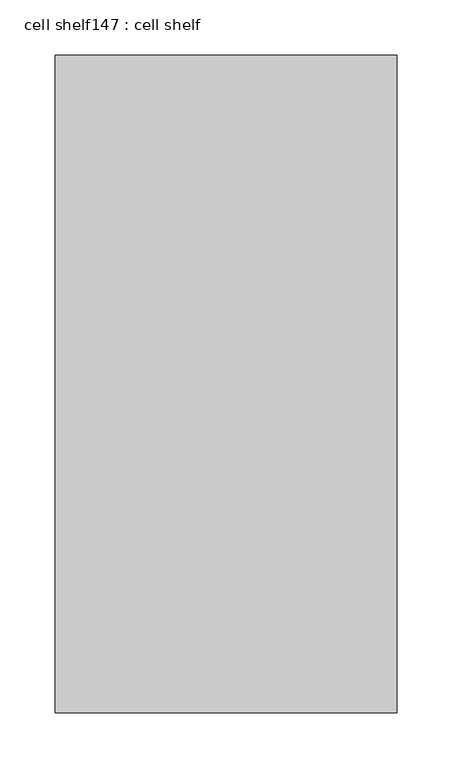
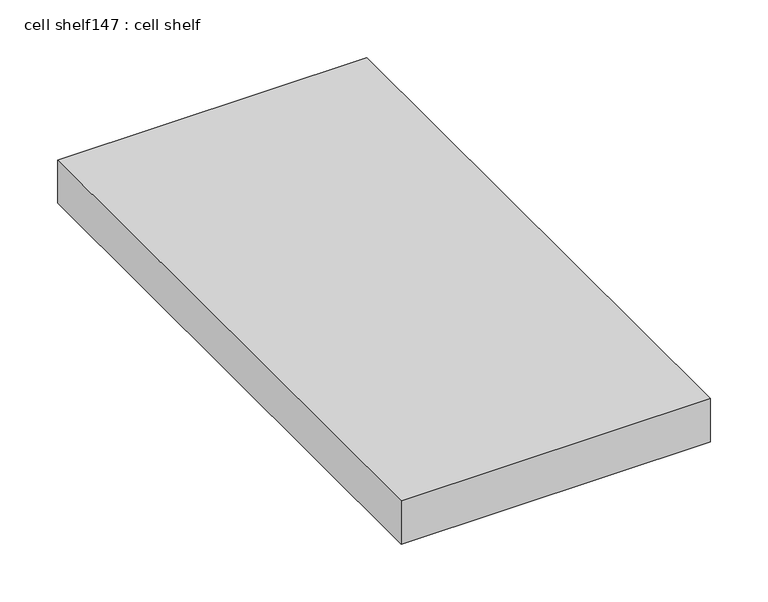
"""IFC4 building model written with IfcOpenShell, lengths in millimetres: proxy geometry, cell shelf147 : cell shelf."""

from ifc_helpers import new_model, si_unit, frame, origin, place, context, project, spatial, polyline, outline, extrude, source, transform, mapped, element, save


def cell_shelf147_cell_shelf_34c90134(model_context):
    return source(origin(), model_context, "Body", "SweptSolid", [
        extrude(outline(polyline([(-133687.9451094, -56947.2042641), (-133687.9451094, -57542.2906598), (-133997.2929059, -57542.2906598), (-133997.2929059, -56947.2042641), (-133687.9451094, -56947.2042641)])), frame((0.0, 0.0, 1320.0941517), z_axis=(0.0, 0.0, 1.0), x_axis=(1.0, 0.0, 0.0)), (0.0, 0.0, 1.0), 45.8133004),
    ])


if __name__ == "__main__":
    model = new_model("IFC4")
    model_context = context("Model", 3, world=origin())
    ifc_project = project(units=[si_unit("LENGTHUNIT", "METRE", prefix="MILLI")], contexts=[model_context])
    site = spatial("IfcSite", under=ifc_project)
    building = spatial("IfcBuilding", under=site)
    placement = place(None, origin())
    cell_shelf147_cell_shelf_shape = cell_shelf147_cell_shelf_34c90134(model_context)
    element("IfcBuildingElementProxy", 1, Name="cell shelf147 : cell shelf", ObjectType="cell shelf147 : cell shelf", at=placement, inside=building, context=model_context, shape_type="MappedRepresentation", body=[
        mapped(cell_shelf147_cell_shelf_shape, transform((0.0, 0.0, 0.0), x_axis=(1.0, 0.0, 0.0), y_axis=(0.0, 1.0, 0.0), z_axis=(0.0, 0.0, 1.0))),
    ])
    save(model, "model.ifc")
